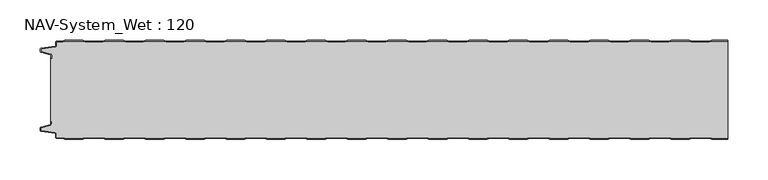
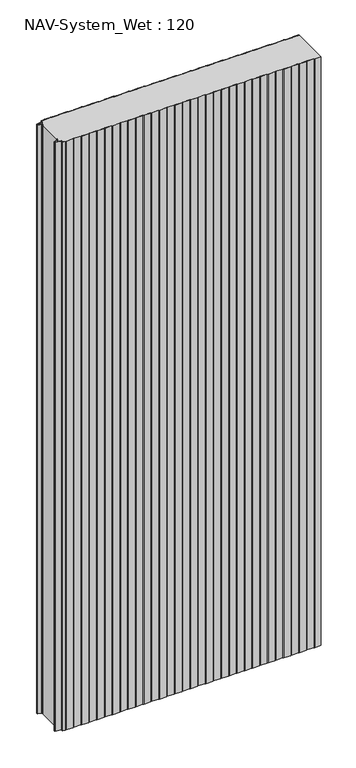
"""IFC4 building model written with IfcOpenShell, lengths in millimetres: plate geometry, NAV-System_Wet : 120."""

from ifc_helpers import new_model, si_unit, point, frame_2d, origin, origin_with_axes, place, context, project, spatial, polyline, circle_curve, trimmed, segment, composite_curve, outline, extrude, source, transform, mapped, element, save


def nav_system_wet_120_459d0592(model_context):
    return source(origin(), model_context, "Body", "SweptSolid", [
        extrude(outline(composite_curve([segment(polyline([(405.3684327, 0.2), (402.3684327, -0.8), (380.3684327, -0.8), (377.3684327, 0.2), (355.3684327, 0.2), (352.3684327, -0.8), (330.3684327, -0.8), (327.3684327, 0.2), (305.3684327, 0.2), (302.3684327, -0.8), (280.3684327, -0.8), (277.3684327, 0.2), (255.3684327, 0.2), (252.3684327, -0.8), (230.3684327, -0.8), (227.3684327, 0.2), (205.3684327, 0.2), (202.3684327, -0.8), (180.3684327, -0.8), (177.3684327, 0.2), (155.3684327, 0.2), (152.3684327, -0.8), (130.3684327, -0.8), (127.3684327, 0.2), (105.3684327, 0.2), (102.3684327, -0.8), (80.3684327, -0.8), (77.3684327, 0.2), (55.3684327, 0.2), (52.3684327, -0.8), (30.3684327, -0.8), (27.3684327, 0.2), (5.3684327, 0.2), (2.3684327, -0.8), (-19.6315673, -0.8), (-22.6315673, 0.2), (-44.6315673, 0.2), (-47.6315673, -0.8), (-69.6315673, -0.8), (-72.6315673, 0.2), (-94.6315673, 0.2), (-97.6315673, -0.8), (-119.6315673, -0.8), (-122.6315673, 0.2), (-144.6315673, 0.2), (-147.6315673, -0.8), (-169.6315673, -0.8), (-172.6315673, 0.2), (-194.6315673, 0.2), (-197.6315673, -0.8), (-219.6315673, -0.8), (-222.6315673, 0.2), (-244.6315673, 0.2), (-247.6315673, -0.8), (-269.6315673, -0.8), (-272.6315673, 0.2), (-294.6315673, 0.2), (-297.6315673, -0.8), (-319.6315673, -0.8), (-322.6315673, 0.2), (-344.6315673, 0.2), (-347.6315673, -0.8), (-369.6315673, -0.8), (-372.6315673, 0.2), (-394.6315673, 0.2), (-397.6315673, -0.8), (-404.7, -0.8)]), True, "CONTINUOUS"), segment(trimmed(circle_curve(frame_2d((-404.7, -1.3)), 0.5), [point((-404.7, -0.8))], [point((-405.2, -1.3))], True, "CARTESIAN"), True, "CONTINUOUS"), segment(polyline([(-405.2, -1.3), (-405.2, -5.3964683)]), True, "CONTINUOUS"), segment(trimmed(circle_curve(frame_2d((-406.7, -5.3964683)), 1.5), [point((-405.2, -5.3964683))], [point((-406.4911207, -6.8818536))], False, "CARTESIAN"), True, "CONTINUOUS"), segment(polyline([(-406.4911207, -6.8818536), (-423.4352183, -9.2645825)]), True, "CONTINUOUS"), segment(trimmed(circle_curve(frame_2d((-423.3114909, -10.1444347)), 0.8885091), [point((-423.4352183, -9.2645825))], [point((-424.2, -10.1444347))], True, "CARTESIAN"), True, "CONTINUOUS"), segment(polyline([(-424.2, -10.1444347), (-424.2, -12.46995)]), True, "CONTINUOUS"), segment(trimmed(circle_curve(frame_2d((-423.6, -12.46995)), 0.6), [point((-424.2, -12.46995))], [point((-423.7552914, -13.0495055))], True, "CARTESIAN"), True, "CONTINUOUS"), segment(polyline([(-423.7552914, -13.0495055), (-412.3785632, -16.0978907)]), True, "CONTINUOUS"), segment(trimmed(circle_curve(frame_2d((-412.7667917, -17.5467794)), 1.5), [point((-412.3785632, -16.0978907))], [point((-411.2667917, -17.5467794))], False, "CARTESIAN"), True, "CONTINUOUS"), segment(polyline([(-411.2667917, -17.5467794), (-411.2667917, -21.0096505), (-412.0667917, -21.0096505), (-412.0667917, -17.5467794)]), True, "CONTINUOUS"), segment(trimmed(circle_curve(frame_2d((-412.7667917, -17.5467794)), 0.7), [point((-412.0667917, -17.5467794))], [point((-412.5856184, -16.8706313))], True, "CARTESIAN"), True, "CONTINUOUS"), segment(polyline([(-412.5856184, -16.8706313), (-424.0364648, -13.8023863)]), True, "CONTINUOUS"), segment(trimmed(circle_curve(frame_2d((-423.7, -12.5466827)), 1.3), [point((-424.0364648, -13.8023863))], [point((-425.0, -12.5466827))], False, "CARTESIAN"), True, "CONTINUOUS"), segment(polyline([(-425.0, -12.5466827), (-425.0, -9.8067363)]), True, "CONTINUOUS"), segment(trimmed(circle_curve(frame_2d((-423.7, -9.8067363)), 1.3), [point((-425.0, -9.8067363))], [point((-423.8810287, -8.5194024))], False, "CARTESIAN"), True, "CONTINUOUS"), segment(polyline([(-423.8810287, -8.5194024), (-406.602523, -6.0896481)]), True, "CONTINUOUS"), segment(trimmed(circle_curve(frame_2d((-406.7, -5.3964683)), 0.7), [point((-406.602523, -6.0896481))], [point((-406.0, -5.3964683))], True, "CARTESIAN"), True, "CONTINUOUS"), segment(polyline([(-406.0, -5.3964683), (-406.0, -1.3)]), True, "CONTINUOUS"), segment(trimmed(circle_curve(frame_2d((-404.7, -1.3)), 1.3), [point((-406.0, -1.3))], [point((-404.7, 0.0))], False, "CARTESIAN"), True, "CONTINUOUS"), segment(polyline([(-404.7, 0.0), (-397.7613895, 0.0), (-394.7613895, 1.0), (-372.5017452, 1.0), (-369.5017452, 0.0), (-347.7613895, 0.0), (-344.7613895, 1.0), (-322.5017452, 1.0), (-319.5017452, 0.0), (-297.7613895, 0.0), (-294.7613895, 1.0), (-272.5017452, 1.0), (-269.5017452, 0.0), (-247.7613895, 0.0), (-244.7613895, 1.0), (-222.5017452, 1.0), (-219.5017452, 0.0), (-197.7613895, 0.0), (-194.7613895, 1.0), (-172.5017452, 1.0), (-169.5017452, 0.0), (-147.7613895, 0.0), (-144.7613895, 1.0), (-122.5017452, 1.0), (-119.5017452, 0.0), (-97.7613895, 0.0), (-94.7613895, 1.0), (-72.5017452, 1.0), (-69.5017452, 0.0), (-47.7613895, 0.0), (-44.7613895, 1.0), (-22.5017452, 1.0), (-19.5017452, 0.0), (2.2386105, 0.0), (5.2386105, 1.0), (27.4982548, 1.0), (30.4982548, 0.0), (52.2386105, 0.0), (55.2386105, 1.0), (77.4982548, 1.0), (80.4982548, 0.0), (102.2386105, 0.0), (105.2386105, 1.0), (127.4982548, 1.0), (130.4982548, 0.0), (152.2386105, 0.0), (155.2386105, 1.0), (177.4982548, 1.0), (180.4982548, 0.0), (202.2386105, 0.0), (205.2386105, 1.0), (227.4982548, 1.0), (230.4982548, 0.0), (252.2386105, 0.0), (255.2386105, 1.0), (277.4982548, 1.0), (280.4982548, 0.0), (302.2386105, 0.0), (305.2386105, 1.0), (327.4982548, 1.0), (330.4982548, 0.0), (352.2386105, 0.0), (355.2386105, 1.0), (377.4982548, 1.0), (380.4982548, 0.0), (402.2386105, 0.0), (405.2386105, 1.0), (425.0, 1.0), (425.0, 0.2), (405.3684327, 0.2)]), True, "CONTINUOUS")], self_intersect=False)), origin_with_axes(), (0.0, 0.0, 1.0), 2000.0),
        extrude(outline(composite_curve([segment(polyline([(405.3684327, -120.2), (402.3684327, -119.2), (380.3684327, -119.2), (377.3684327, -120.2), (355.3684327, -120.2), (352.3684327, -119.2), (330.3684327, -119.2), (327.3684327, -120.2), (305.3684327, -120.2), (302.3684327, -119.2), (280.3684327, -119.2), (277.3684327, -120.2), (255.3684327, -120.2), (252.3684327, -119.2), (230.3684327, -119.2), (227.3684327, -120.2), (205.3684327, -120.2), (202.3684327, -119.2), (180.3684327, -119.2), (177.3684327, -120.2), (155.3684327, -120.2), (152.3684327, -119.2), (130.3684327, -119.2), (127.3684327, -120.2), (105.3684327, -120.2), (102.3684327, -119.2), (80.3684327, -119.2), (77.3684327, -120.2), (55.3684327, -120.2), (52.3684327, -119.2), (30.3684327, -119.2), (27.3684327, -120.2), (5.3684327, -120.2), (2.3684327, -119.2), (-19.6315673, -119.2), (-22.6315673, -120.2), (-44.6315673, -120.2), (-47.6315673, -119.2), (-69.6315673, -119.2), (-72.6315673, -120.2), (-94.6315673, -120.2), (-97.6315673, -119.2), (-119.6315673, -119.2), (-122.6315673, -120.2), (-144.6315673, -120.2), (-147.6315673, -119.2), (-169.6315673, -119.2), (-172.6315673, -120.2), (-194.6315673, -120.2), (-197.6315673, -119.2), (-219.6315673, -119.2), (-222.6315673, -120.2), (-244.6315673, -120.2), (-247.6315673, -119.2), (-269.6315673, -119.2), (-272.6315673, -120.2), (-294.6315673, -120.2), (-297.6315673, -119.2), (-319.6315673, -119.2), (-322.6315673, -120.2), (-344.6315673, -120.2), (-347.6315673, -119.2), (-369.6315673, -119.2), (-372.6315673, -120.2), (-394.6315673, -120.2), (-397.6315673, -119.2), (-404.7, -119.2)]), True, "CONTINUOUS"), segment(trimmed(circle_curve(frame_2d((-404.7, -118.7)), 0.5), [point((-404.7, -119.2))], [point((-405.2, -118.7))], False, "CARTESIAN"), True, "CONTINUOUS"), segment(polyline([(-405.2, -118.7), (-405.2, -114.6035317)]), True, "CONTINUOUS"), segment(trimmed(circle_curve(frame_2d((-406.7, -114.6035317)), 1.5), [point((-405.2, -114.6035317))], [point((-406.4911207, -113.1181464))], True, "CARTESIAN"), True, "CONTINUOUS"), segment(polyline([(-406.4911207, -113.1181464), (-423.4352183, -110.7354175)]), True, "CONTINUOUS"), segment(trimmed(circle_curve(frame_2d((-423.3114909, -109.8555653)), 0.8885091), [point((-423.4352183, -110.7354175))], [point((-424.2, -109.8555653))], False, "CARTESIAN"), True, "CONTINUOUS"), segment(polyline([(-424.2, -109.8555653), (-424.2, -107.53005)]), True, "CONTINUOUS"), segment(trimmed(circle_curve(frame_2d((-423.6, -107.53005)), 0.6), [point((-424.2, -107.53005))], [point((-423.7552914, -106.9504945))], False, "CARTESIAN"), True, "CONTINUOUS"), segment(polyline([(-423.7552914, -106.9504945), (-412.3785632, -103.9021093)]), True, "CONTINUOUS"), segment(trimmed(circle_curve(frame_2d((-412.7667917, -102.4532206)), 1.5), [point((-412.3785632, -103.9021093))], [point((-411.2667917, -102.4532206))], True, "CARTESIAN"), True, "CONTINUOUS"), segment(polyline([(-411.2667917, -102.4532206), (-411.2667917, -98.9903495), (-412.0667917, -98.9903495), (-412.0667917, -21.0096505), (-411.2667917, -21.0096505), (-411.2667917, -17.5467794)]), True, "CONTINUOUS"), segment(trimmed(circle_curve(frame_2d((-412.7667917, -17.5467794)), 1.5), [point((-411.2667917, -17.5467794))], [point((-412.3785632, -16.0978907))], True, "CARTESIAN"), True, "CONTINUOUS"), segment(polyline([(-412.3785632, -16.0978907), (-423.7552914, -13.0495055)]), True, "CONTINUOUS"), segment(trimmed(circle_curve(frame_2d((-423.6, -12.46995)), 0.6), [point((-423.7552914, -13.0495055))], [point((-424.2, -12.46995))], False, "CARTESIAN"), True, "CONTINUOUS"), segment(polyline([(-424.2, -12.46995), (-424.2, -10.1444347)]), True, "CONTINUOUS"), segment(trimmed(circle_curve(frame_2d((-423.3114909, -10.1444347)), 0.8885091), [point((-424.2, -10.1444347))], [point((-423.4352183, -9.2645825))], False, "CARTESIAN"), True, "CONTINUOUS"), segment(polyline([(-423.4352183, -9.2645825), (-406.4911207, -6.8818536)]), True, "CONTINUOUS"), segment(trimmed(circle_curve(frame_2d((-406.7, -5.3964683)), 1.5), [point((-406.4911207, -6.8818536))], [point((-405.2, -5.3964683))], True, "CARTESIAN"), True, "CONTINUOUS"), segment(polyline([(-405.2, -5.3964683), (-405.2, -1.3)]), True, "CONTINUOUS"), segment(trimmed(circle_curve(frame_2d((-404.7, -1.3)), 0.5), [point((-405.2, -1.3))], [point((-404.7, -0.8))], False, "CARTESIAN"), True, "CONTINUOUS"), segment(polyline([(-404.7, -0.8), (-397.6315673, -0.8), (-394.6315673, 0.2), (-372.6315673, 0.2), (-369.6315673, -0.8), (-347.6315673, -0.8), (-344.6315673, 0.2), (-322.6315673, 0.2), (-319.6315673, -0.8), (-297.6315673, -0.8), (-294.6315673, 0.2), (-272.6315673, 0.2), (-269.6315673, -0.8), (-247.6315673, -0.8), (-244.6315673, 0.2), (-222.6315673, 0.2), (-219.6315673, -0.8), (-197.6315673, -0.8), (-194.6315673, 0.2), (-172.6315673, 0.2), (-169.6315673, -0.8), (-147.6315673, -0.8), (-144.6315673, 0.2), (-122.6315673, 0.2), (-119.6315673, -0.8), (-97.6315673, -0.8), (-94.6315673, 0.2), (-72.6315673, 0.2), (-69.6315673, -0.8), (-47.6315673, -0.8), (-44.6315673, 0.2), (-22.6315673, 0.2), (-19.6315673, -0.8), (2.3684327, -0.8), (5.3684327, 0.2), (27.3684327, 0.2), (30.3684327, -0.8), (52.3684327, -0.8), (55.3684327, 0.2), (77.3684327, 0.2), (80.3684327, -0.8), (102.3684327, -0.8), (105.3684327, 0.2), (127.3684327, 0.2), (130.3684327, -0.8), (152.3684327, -0.8), (155.3684327, 0.2), (177.3684327, 0.2), (180.3684327, -0.8), (202.3684327, -0.8), (205.3684327, 0.2), (227.3684327, 0.2), (230.3684327, -0.8), (252.3684327, -0.8), (255.3684327, 0.2), (277.3684327, 0.2), (280.3684327, -0.8), (302.3684327, -0.8), (305.3684327, 0.2), (327.3684327, 0.2), (330.3684327, -0.8), (352.3684327, -0.8), (355.3684327, 0.2), (377.3684327, 0.2), (380.3684327, -0.8), (402.3684327, -0.8), (405.3684327, 0.2), (425.0, 0.2), (425.0, -120.2), (405.3684327, -120.2)]), True, "CONTINUOUS")], self_intersect=False)), origin_with_axes(), (0.0, 0.0, 1.0), 2000.0),
        extrude(outline(composite_curve([segment(polyline([(405.2386105, -121.0), (402.2386105, -120.0), (380.4982548, -120.0), (377.4982548, -121.0), (355.2386105, -121.0), (352.2386105, -120.0), (330.4982548, -120.0), (327.4982548, -121.0), (305.2386105, -121.0), (302.2386105, -120.0), (280.4982548, -120.0), (277.4982548, -121.0), (255.2386105, -121.0), (252.2386105, -120.0), (230.4982548, -120.0), (227.4982548, -121.0), (205.2386105, -121.0), (202.2386105, -120.0), (180.4982548, -120.0), (177.4982548, -121.0), (155.2386105, -121.0), (152.2386105, -120.0), (130.4982548, -120.0), (127.4982548, -121.0), (105.2386105, -121.0), (102.2386105, -120.0), (80.4982548, -120.0), (77.4982548, -121.0), (55.2386105, -121.0), (52.2386105, -120.0), (30.4982548, -120.0), (27.4982548, -121.0), (5.2386105, -121.0), (2.2386105, -120.0), (-19.5017452, -120.0), (-22.5017452, -121.0), (-44.7613895, -121.0), (-47.7613895, -120.0), (-69.5017452, -120.0), (-72.5017452, -121.0), (-94.7613895, -121.0), (-97.7613895, -120.0), (-119.5017452, -120.0), (-122.5017452, -121.0), (-144.7613895, -121.0), (-147.7613895, -120.0), (-169.5017452, -120.0), (-172.5017452, -121.0), (-194.7613895, -121.0), (-197.7613895, -120.0), (-219.5017452, -120.0), (-222.5017452, -121.0), (-244.7613895, -121.0), (-247.7613895, -120.0), (-269.5017452, -120.0), (-272.5017452, -121.0), (-294.7613895, -121.0), (-297.7613895, -120.0), (-319.5017452, -120.0), (-322.5017452, -121.0), (-344.7613895, -121.0), (-347.7613895, -120.0), (-369.5017452, -120.0), (-372.5017452, -121.0), (-394.7613895, -121.0), (-397.7613895, -120.0), (-404.7, -120.0)]), True, "CONTINUOUS"), segment(trimmed(circle_curve(frame_2d((-404.7, -118.7)), 1.3), [point((-404.7, -120.0))], [point((-406.0, -118.7))], False, "CARTESIAN"), True, "CONTINUOUS"), segment(polyline([(-406.0, -118.7), (-406.0, -114.6035317)]), True, "CONTINUOUS"), segment(trimmed(circle_curve(frame_2d((-406.7, -114.6035317)), 0.7), [point((-406.0, -114.6035317))], [point((-406.602523, -113.9103519))], True, "CARTESIAN"), True, "CONTINUOUS"), segment(polyline([(-406.602523, -113.9103519), (-423.8810287, -111.4805976)]), True, "CONTINUOUS"), segment(trimmed(circle_curve(frame_2d((-423.7, -110.1932637)), 1.3), [point((-423.8810287, -111.4805976))], [point((-425.0, -110.1932637))], False, "CARTESIAN"), True, "CONTINUOUS"), segment(polyline([(-425.0, -110.1932637), (-425.0, -107.4533173)]), True, "CONTINUOUS"), segment(trimmed(circle_curve(frame_2d((-423.7, -107.4533173)), 1.3), [point((-425.0, -107.4533173))], [point((-424.0364648, -106.1976137))], False, "CARTESIAN"), True, "CONTINUOUS"), segment(polyline([(-424.0364648, -106.1976137), (-412.5856184, -103.1293687)]), True, "CONTINUOUS"), segment(trimmed(circle_curve(frame_2d((-412.7667917, -102.4532206)), 0.7), [point((-412.5856184, -103.1293687))], [point((-412.0667917, -102.4532206))], True, "CARTESIAN"), True, "CONTINUOUS"), segment(polyline([(-412.0667917, -102.4532206), (-412.0667917, -98.9903495), (-411.2667917, -98.9903495), (-411.2667917, -102.4532206)]), True, "CONTINUOUS"), segment(trimmed(circle_curve(frame_2d((-412.7667917, -102.4532206)), 1.5), [point((-411.2667917, -102.4532206))], [point((-412.3785632, -103.9021093))], False, "CARTESIAN"), True, "CONTINUOUS"), segment(polyline([(-412.3785632, -103.9021093), (-423.7552914, -106.9504945)]), True, "CONTINUOUS"), segment(trimmed(circle_curve(frame_2d((-423.6, -107.53005)), 0.6), [point((-423.7552914, -106.9504945))], [point((-424.2, -107.53005))], True, "CARTESIAN"), True, "CONTINUOUS"), segment(polyline([(-424.2, -107.53005), (-424.2, -109.8555653)]), True, "CONTINUOUS"), segment(trimmed(circle_curve(frame_2d((-423.3114909, -109.8555653)), 0.8885091), [point((-424.2, -109.8555653))], [point((-423.4352183, -110.7354175))], True, "CARTESIAN"), True, "CONTINUOUS"), segment(polyline([(-423.4352183, -110.7354175), (-406.4911207, -113.1181464)]), True, "CONTINUOUS"), segment(trimmed(circle_curve(frame_2d((-406.7, -114.6035317)), 1.5), [point((-406.4911207, -113.1181464))], [point((-405.2, -114.6035317))], False, "CARTESIAN"), True, "CONTINUOUS"), segment(polyline([(-405.2, -114.6035317), (-405.2, -118.7)]), True, "CONTINUOUS"), segment(trimmed(circle_curve(frame_2d((-404.7, -118.7)), 0.5), [point((-405.2, -118.7))], [point((-404.7, -119.2))], True, "CARTESIAN"), True, "CONTINUOUS"), segment(polyline([(-404.7, -119.2), (-397.6315673, -119.2), (-394.6315673, -120.2), (-372.6315673, -120.2), (-369.6315673, -119.2), (-347.6315673, -119.2), (-344.6315673, -120.2), (-322.6315673, -120.2), (-319.6315673, -119.2), (-297.6315673, -119.2), (-294.6315673, -120.2), (-272.6315673, -120.2), (-269.6315673, -119.2), (-247.6315673, -119.2), (-244.6315673, -120.2), (-222.6315673, -120.2), (-219.6315673, -119.2), (-197.6315673, -119.2), (-194.6315673, -120.2), (-172.6315673, -120.2), (-169.6315673, -119.2), (-147.6315673, -119.2), (-144.6315673, -120.2), (-122.6315673, -120.2), (-119.6315673, -119.2), (-97.6315673, -119.2), (-94.6315673, -120.2), (-72.6315673, -120.2), (-69.6315673, -119.2), (-47.6315673, -119.2), (-44.6315673, -120.2), (-22.6315673, -120.2), (-19.6315673, -119.2), (2.3684327, -119.2), (5.3684327, -120.2), (27.3684327, -120.2), (30.3684327, -119.2), (52.3684327, -119.2), (55.3684327, -120.2), (77.3684327, -120.2), (80.3684327, -119.2), (102.3684327, -119.2), (105.3684327, -120.2), (127.3684327, -120.2), (130.3684327, -119.2), (152.3684327, -119.2), (155.3684327, -120.2), (177.3684327, -120.2), (180.3684327, -119.2), (202.3684327, -119.2), (205.3684327, -120.2), (227.3684327, -120.2), (230.3684327, -119.2), (252.3684327, -119.2), (255.3684327, -120.2), (277.3684327, -120.2), (280.3684327, -119.2), (302.3684327, -119.2), (305.3684327, -120.2), (327.3684327, -120.2), (330.3684327, -119.2), (352.3684327, -119.2), (355.3684327, -120.2), (377.3684327, -120.2), (380.3684327, -119.2), (402.3684327, -119.2), (405.3684327, -120.2), (425.0, -120.2), (425.0, -121.0), (405.2386105, -121.0)]), True, "CONTINUOUS")], self_intersect=False)), origin_with_axes(), (0.0, 0.0, 1.0), 2000.0),
    ])


if __name__ == "__main__":
    model = new_model("IFC4")
    model_context = context("Model", 3, world=origin())
    ifc_project = project(units=[si_unit("LENGTHUNIT", "METRE", prefix="MILLI")], contexts=[model_context])
    site = spatial("IfcSite", under=ifc_project)
    building = spatial("IfcBuilding", under=site)
    placement = place(None, origin())
    nav_system_wet_120_shape = nav_system_wet_120_459d0592(model_context)
    element("IfcPlate", 1, ObjectType="NAV-System_Wet : 120", at=placement, inside=building, context=model_context, shape_type="MappedRepresentation", body=[
        mapped(nav_system_wet_120_shape, transform((0.0, 0.0, 0.0), x_axis=(1.0, 0.0, 0.0), y_axis=(0.0, 1.0, 0.0), z_axis=(0.0, 0.0, 1.0))),
    ])
    save(model, "model.ifc")
